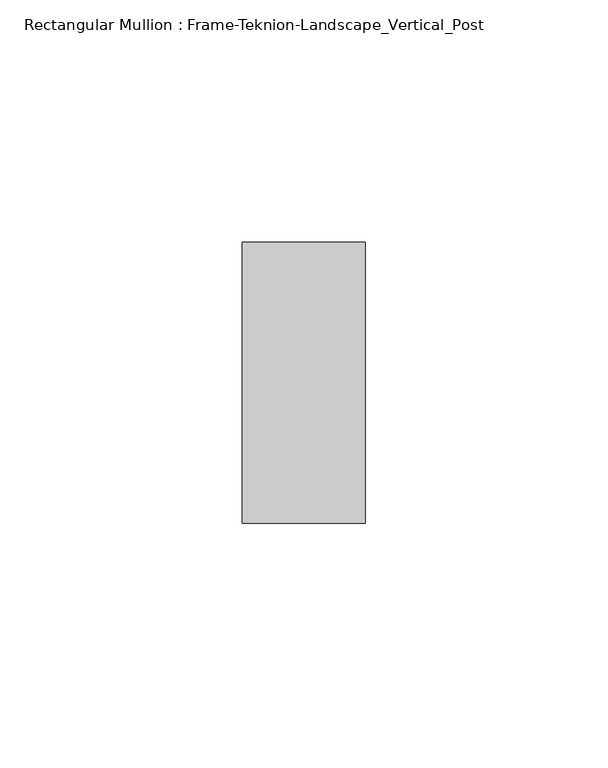
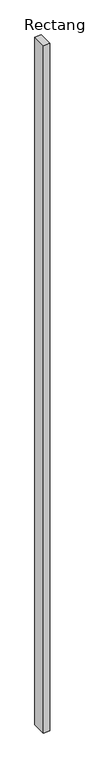
"""IFC4 building model written with IfcOpenShell, lengths in millimetres: member geometry, Rectangular Mullion : Frame-Teknion-Landscape_Vertical_Post."""

from ifc_helpers import new_model, si_unit, frame, origin, place, context, project, spatial, polyline, outline, extrude, source, transform, mapped, element, save


def rectangular_mullion_frame_teknion_landscape_vertical_post_976e97a2(model_context):
    return source(origin(), model_context, "Body", "SweptSolid", [
        extrude(outline(polyline([(0.0, 28.971875), (0.0, -28.971875), (-25.4, -28.971875), (-25.4, 28.971875), (0.0, 28.971875)])), frame((0.0, 0.0, -2844.8), z_axis=(0.0, 0.0, 1.0), x_axis=(1.0, 0.0, 0.0)), (0.0, 0.0, 1.0), 2844.8),
    ])


if __name__ == "__main__":
    model = new_model("IFC4")
    model_context = context("Model", 3, world=origin())
    ifc_project = project(units=[si_unit("LENGTHUNIT", "METRE", prefix="MILLI")], contexts=[model_context])
    site = spatial("IfcSite", under=ifc_project)
    building = spatial("IfcBuilding", under=site)
    placement = place(None, origin())
    rectangular_mullion_frame_teknion_landscape_vertical_post_shape = rectangular_mullion_frame_teknion_landscape_vertical_post_976e97a2(model_context)
    element("IfcMember", 1, ObjectType="Rectangular Mullion : Frame-Teknion-Landscape_Vertical_Post", at=placement, inside=building, context=model_context, shape_type="MappedRepresentation", body=[
        mapped(rectangular_mullion_frame_teknion_landscape_vertical_post_shape, transform((0.0, 0.0, 0.0), x_axis=(1.0, 0.0, 0.0), y_axis=(0.0, 1.0, 0.0), z_axis=(0.0, 0.0, 1.0))),
    ])
    save(model, "model.ifc")
